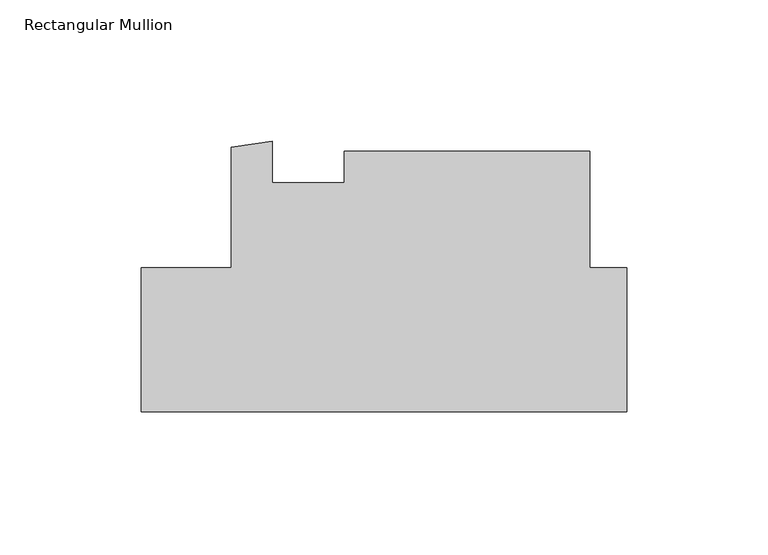
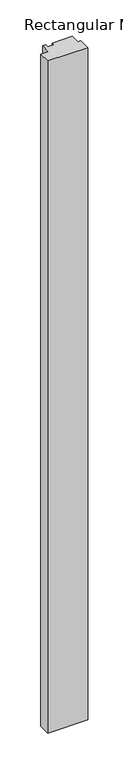
"""IFC4 building model written with IfcOpenShell, lengths in millimetres: member geometry, Rectangular Mullion."""

from ifc_helpers import new_model, si_unit, frame, origin, place, context, project, spatial, polyline, outline, extrude, source, transform, mapped, element, save


def rectangular_mullion_994c2b63(model_context):
    return source(origin(), model_context, "Body", "SweptSolid", [
        extrude(outline(polyline([(-171.4499999, 2.5370948), (-139.7010309, 2.5370948), (-139.7010309, 45.1524771), (-125.165484, 47.2126334), (-125.165484, 32.6995949), (-99.7975059, 32.6995949), (-99.7975059, 43.8120949), (-12.9550309, 43.8120949), (-12.9550309, 2.5693608), (0.0, 2.5693608), (0.0, -48.2629052), (-171.4499999, -48.2629052), (-171.4499999, 2.5370948)])), frame((0.0, 0.0, -3048.0), z_axis=(0.0, 0.0, 1.0), x_axis=(1.0, 0.0, 0.0)), (0.0, 0.0, 1.0), 3048.0),
    ])


if __name__ == "__main__":
    model = new_model("IFC4")
    model_context = context("Model", 3, world=origin())
    ifc_project = project(units=[si_unit("LENGTHUNIT", "METRE", prefix="MILLI")], contexts=[model_context])
    site = spatial("IfcSite", under=ifc_project)
    building = spatial("IfcBuilding", under=site)
    placement = place(None, origin())
    rectangular_mullion_shape = rectangular_mullion_994c2b63(model_context)
    element("IfcMember", 1, ObjectType="Rectangular Mullion", at=placement, inside=building, context=model_context, shape_type="MappedRepresentation", body=[
        mapped(rectangular_mullion_shape, transform((0.0, 0.0, 0.0), x_axis=(1.0, 0.0, 0.0), y_axis=(0.0, 1.0, 0.0), z_axis=(0.0, 0.0, 1.0))),
    ])
    save(model, "model.ifc")
